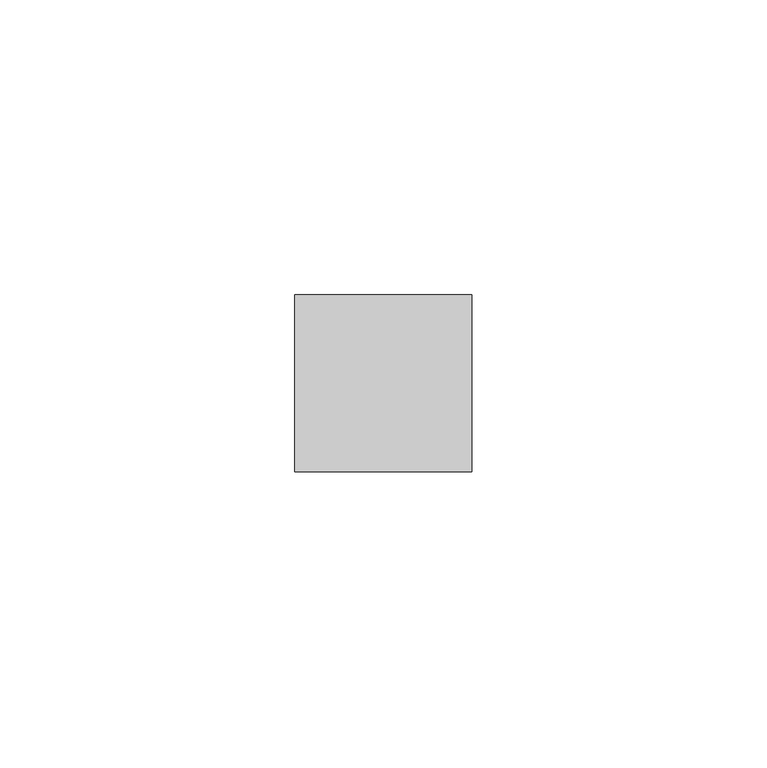
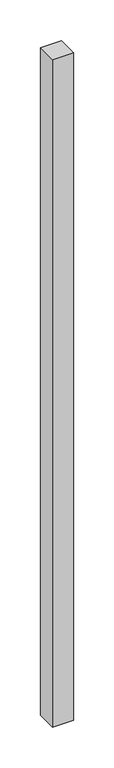
"""IFC4 building model written with IfcOpenShell, lengths in millimetres: member geometry."""

import ifcopenshell
import ifcopenshell.guid

model = None  # the IFC model being written
_history = None  # IfcOwnerHistory: only IFC2X3 demands one
_inside = {}  # id of a spatial element -> (the spatial element, [elements in it])
_under = {}  # id of a project, library or spatial element -> (it, [spatial elements below it])
_declared = {}  # id of a project -> (the project, [libraries it declares])
_typed = {}  # id of a type object -> (the type object, [elements of that type])
_made_of = {}  # id of a material, layer set ... -> (it, [elements and type objects made of it])


def new_model(schema):
    """Start an empty IFC model of exactly this schema.

    Asked for "IFC4X3", IfcOpenShell would pick the latest addendum, in which some entities
    have other attributes; the version numbers below select the first issue.
    IFC2X3 requires an IfcOwnerHistory on every rooted entity: one is made here for all.
    """
    global model, _history
    if schema == "IFC4X3":
        model = ifcopenshell.file(schema_version=(4, 3, 0, 0))
    else:
        model = ifcopenshell.file(schema=schema)
    _inside.clear()
    _under.clear()
    _declared.clear()
    _typed.clear()
    _made_of.clear()
    _history = None
    if model.schema == "IFC2X3":
        org = make("IfcOrganization", Name="unknown")
        user = make(
            "IfcPersonAndOrganization",
            ThePerson=make("IfcPerson", FamilyName="unknown"),
            TheOrganization=org,
        )
        app = make(
            "IfcApplication",
            ApplicationDeveloper=org,
            Version="unknown",
            ApplicationFullName="unknown",
            ApplicationIdentifier="unknown",
        )
        _history = make(
            "IfcOwnerHistory",
            OwningUser=user,
            OwningApplication=app,
            ChangeAction="ADDED",
            CreationDate=0,
        )
    return model


def make(cls, **values):
    """One entity of the class cls with the attributes given. An attribute that is None is left unset."""
    return model.create_entity(
        cls, **{name: value for name, value in values.items() if value is not None}
    )


def rooted(cls, **values):
    """An entity with a GlobalId (a new one), such as an element, a storey or a relation."""
    return make(cls, GlobalId=ifcopenshell.guid.new(), OwnerHistory=_history, **values)


def si_unit(unit_type, name, prefix=None):
    """IfcSIUnit, for example si_unit("LENGTHUNIT", "METRE", prefix="MILLI")."""
    return make("IfcSIUnit", UnitType=unit_type, Prefix=prefix, Name=name)


def assignment(units):
    """IfcUnitAssignment: the units of a project."""
    return None if units is None else make("IfcUnitAssignment", Units=units)


def point(xyz):
    """IfcCartesianPoint."""
    return None if xyz is None else make("IfcCartesianPoint", Coordinates=xyz)


def direction(xyz):
    """IfcDirection."""
    return None if xyz is None else make("IfcDirection", DirectionRatios=xyz)


def frame(location, z_axis=None, x_axis=None):
    """IfcAxis2Placement3D, a coordinate frame: its origin and axes. An axis left out is left unset."""
    return make(
        "IfcAxis2Placement3D",
        Location=point(location),
        Axis=direction(z_axis),
        RefDirection=direction(x_axis),
    )


def origin():
    """The frame at (0, 0, 0) with its axes left unset."""
    return frame((0.0, 0.0, 0.0))


def place(relative_to, where):
    """IfcLocalPlacement: puts the frame where relative to a parent placement (None: the world)."""
    return make(
        "IfcLocalPlacement", PlacementRelTo=relative_to, RelativePlacement=where
    )


def context(
    kind, dimensions, precision=None, world=None, true_north=None, identifier=None
):
    """IfcGeometricRepresentationContext, for example the 3D "Model" context."""
    return make(
        "IfcGeometricRepresentationContext",
        ContextIdentifier=identifier,
        ContextType=kind,
        CoordinateSpaceDimension=dimensions,
        Precision=precision,
        WorldCoordinateSystem=world,
        TrueNorth=true_north,
    )


def project(units=None, contexts=None):
    """IfcProject with its units and contexts."""
    return rooted(
        "IfcProject",
        Name="project",
        RepresentationContexts=contexts,
        UnitsInContext=assignment(units),
    )


def spatial(cls, under=None, at=None, **own):
    """A site, building, storey or space (cls), placed at a placement, below another one or the project."""
    s = rooted(cls, ObjectPlacement=at, **own)
    if under is not None:
        _under.setdefault(under.id(), (under, []))[1].append(s)
    return s


def polyline(points):
    """IfcPolyline through the points."""
    return make("IfcPolyline", Points=[point(p) for p in points])


def outline(outer, holes=None, kind="AREA"):
    """IfcArbitraryClosedProfileDef: a profile drawn as a closed curve; with holes, ...WithVoids."""
    if holes is None:
        return make("IfcArbitraryClosedProfileDef", ProfileType=kind, OuterCurve=outer)
    return make(
        "IfcArbitraryProfileDefWithVoids",
        ProfileType=kind,
        OuterCurve=outer,
        InnerCurves=holes,
    )


def extrude(swept, where, along, depth):
    """IfcExtrudedAreaSolid: the profile swept, set in the frame where, extruded along a direction by depth."""
    return make(
        "IfcExtrudedAreaSolid",
        SweptArea=swept,
        Position=where,
        ExtrudedDirection=direction(along),
        Depth=depth,
    )


def shape(context_of_items, identifier, shape_type, items):
    """IfcShapeRepresentation: the items that make up one representation, for example the "Body"."""
    return make(
        "IfcShapeRepresentation",
        ContextOfItems=context_of_items,
        RepresentationIdentifier=identifier,
        RepresentationType=shape_type,
        Items=items,
    )


def source(mapping_origin, context_of_items, identifier, shape_type, items):
    """IfcRepresentationMap: a shape defined once, which mapped items show again and again."""
    return make(
        "IfcRepresentationMap",
        MappingOrigin=mapping_origin,
        MappedRepresentation=shape(context_of_items, identifier, shape_type, items),
    )


def transform(
    local_origin,
    x_axis=None,
    y_axis=None,
    z_axis=None,
    scale=None,
    scale2=None,
    scale3=None,
    uniform=True,
):
    """IfcCartesianTransformationOperator3D, or its non-uniform kind. x_axis, y_axis, z_axis: its Axis1, 2, 3."""
    if uniform:
        return make(
            "IfcCartesianTransformationOperator3D",
            Axis1=direction(x_axis),
            Axis2=direction(y_axis),
            LocalOrigin=point(local_origin),
            Scale=scale,
            Axis3=direction(z_axis),
        )
    return make(
        "IfcCartesianTransformationOperator3DnonUniform",
        Axis1=direction(x_axis),
        Axis2=direction(y_axis),
        LocalOrigin=point(local_origin),
        Scale=scale,
        Axis3=direction(z_axis),
        Scale2=scale2,
        Scale3=scale3,
    )


def mapped(mapping_source, mapping_target):
    """IfcMappedItem: shows the shape of a source again, moved by a transform."""
    return make(
        "IfcMappedItem", MappingSource=mapping_source, MappingTarget=mapping_target
    )


def made_of(thing, what):
    """Note that an element or type object is made of a material, layer set ...; save() writes the relation."""
    if what is not None:
        _made_of.setdefault(what.id(), (what, []))[1].append(thing)
    return thing


def element(
    cls,
    number,
    at=None,
    inside=None,
    cuts=None,
    type_object=None,
    material=None,
    context=None,
    identifier="Body",
    shape_type=None,
    held_by="IfcProductDefinitionShape",
    body=None,
    shapes=None,
    **own,
):
    """One element of the class cls, such as IfcWall. Its Tag is "e" and its number.

    at: its placement. inside: the storey or other place that contains it. cuts: it is an
    opening in that element (IfcRelVoidsElement). A single representation is given by context,
    identifier, shape_type and body (its items); several are given by shapes. held_by: the class
    of the entity that holds the representations. save() writes the other relations.
    """
    e = rooted(cls, Tag="e%d" % number, ObjectPlacement=at, **own)
    if body is not None:
        shapes = [shape(context, identifier, shape_type, body)]
    if shapes is not None:
        e.Representation = make(held_by, Representations=shapes)
    if inside is not None:
        _inside.setdefault(inside.id(), (inside, []))[1].append(e)
    if cuts is not None:
        rooted(
            "IfcRelVoidsElement", RelatingBuildingElement=cuts, RelatedOpeningElement=e
        )
    if type_object is not None:
        _typed.setdefault(type_object.id(), (type_object, []))[1].append(e)
    return made_of(e, material)


def aggregate(whole, parts):
    """IfcRelAggregates: a whole, such as a stair, and the parts it consists of."""
    return rooted("IfcRelAggregates", RelatingObject=whole, RelatedObjects=parts)


def save(model, path):
    """Write the relations noted so far, then the file.

    IfcRelAggregates (storeys below a building ...), IfcRelContainedInSpatialStructure (elements
    in a storey), IfcRelDefinesByType, IfcRelAssociatesMaterial and IfcRelDeclares: one each for
    every whole, place, type object, material and project.
    """
    for whole, parts in _under.values():
        aggregate(whole, parts)
    for where, things in _inside.values():
        rooted(
            "IfcRelContainedInSpatialStructure",
            RelatedElements=things,
            RelatingStructure=where,
        )
    for kind, things in _typed.values():
        rooted("IfcRelDefinesByType", RelatedObjects=things, RelatingType=kind)
    for what, things in _made_of.values():
        rooted("IfcRelAssociatesMaterial", RelatedObjects=things, RelatingMaterial=what)
    for by, libraries in _declared.values():
        rooted("IfcRelDeclares", RelatingContext=by, RelatedDefinitions=libraries)
    model.write(path)


def member_f4871c30(model_context):
    return source(origin(), model_context, "Body", "SweptSolid", [
        extrude(outline(polyline([(15.0, 15.0), (15.0, -15.0), (-15.0, -15.0), (-15.0, 15.0), (15.0, 15.0)])), frame((0.0, 0.0, -1005.0), z_axis=(0.0, 0.0, 1.0), x_axis=(1.0, 0.0, 0.0)), (0.0, 0.0, 1.0), 1005.0),
    ])


if __name__ == "__main__":
    model = new_model("IFC4")
    model_context = context("Model", 3, world=origin())
    ifc_project = project(units=[si_unit("LENGTHUNIT", "METRE", prefix="MILLI")], contexts=[model_context])
    site = spatial("IfcSite", under=ifc_project)
    building = spatial("IfcBuilding", under=site)
    placement = place(None, origin())
    member_shape = member_f4871c30(model_context)
    element("IfcMember", 1, at=placement, inside=building, context=model_context, shape_type="MappedRepresentation", body=[
        mapped(member_shape, transform((0.0, 0.0, 0.0), x_axis=(1.0, 0.0, 0.0), y_axis=(0.0, 1.0, 0.0), z_axis=(0.0, 0.0, 1.0))),
    ])
    save(model, "model.ifc")
